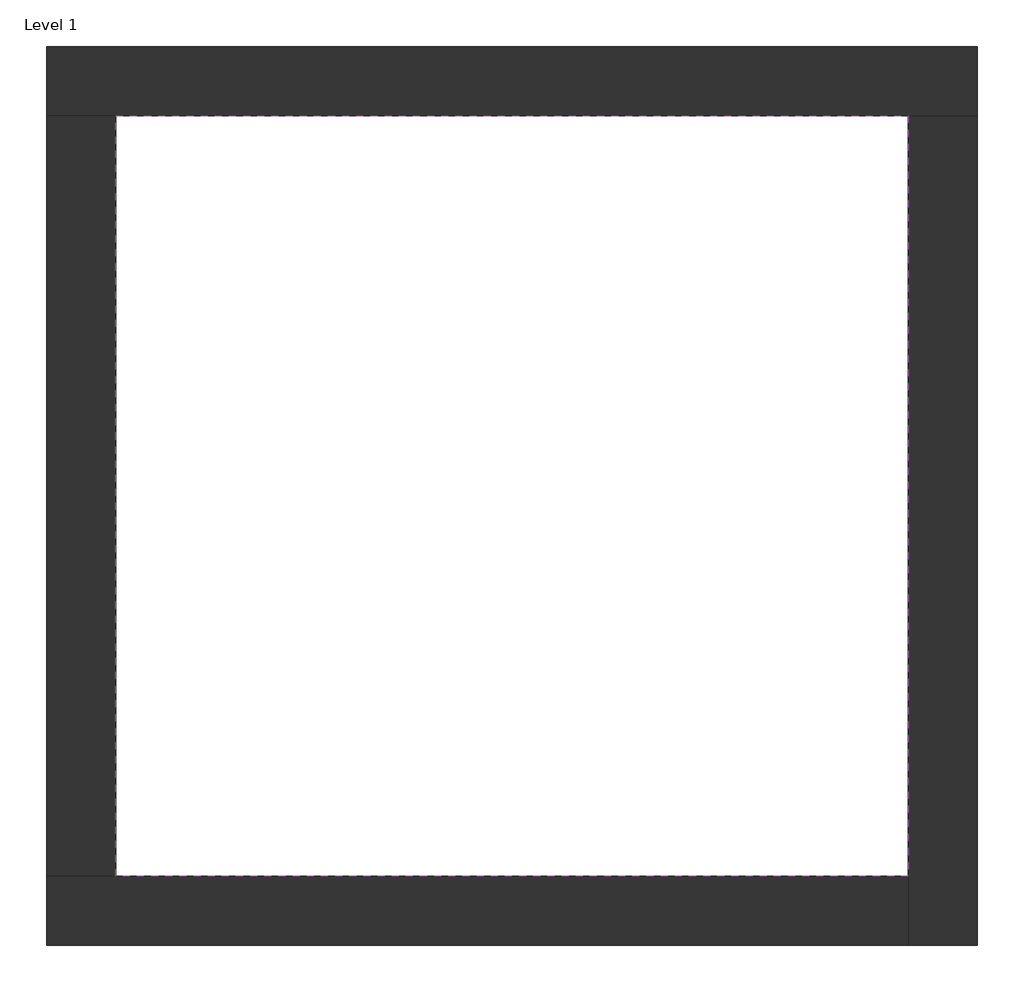
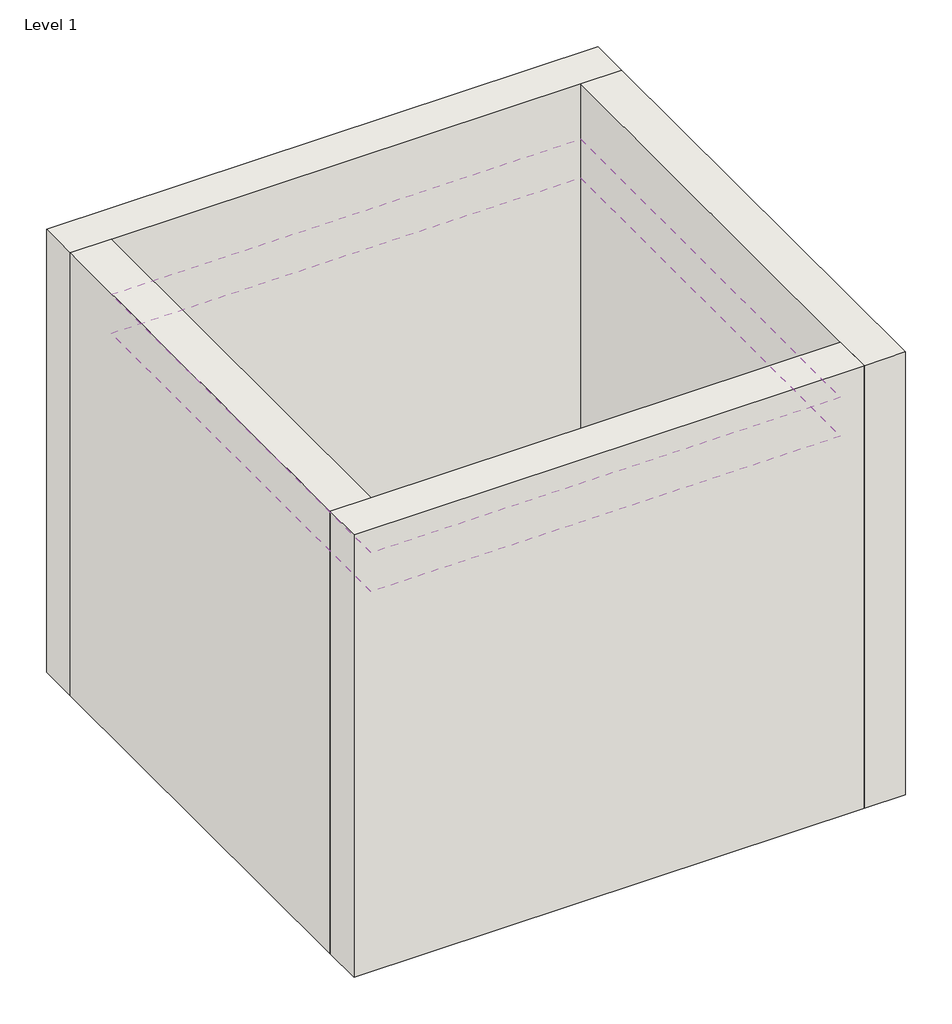
# One storey: 4 walls, 2 coverings.
"""IFC4 building model written with IfcOpenShell, lengths in millimetres."""

from ifc_helpers import new_model, si_unit, frame, origin, origin_with_axes, place, context, project, spatial, polyline, outline, extrude, faceted_brep, element, save

model = new_model("IFC4")

# Units and contexts
model_context = context("Model", 3, world=origin())
ifc_project = project(units=[si_unit("LENGTHUNIT", "METRE", prefix="MILLI")], contexts=[model_context])

# Site, building, storey
site = spatial("IfcSite", under=ifc_project)
building = spatial("IfcBuilding", under=site)
storey = spatial("IfcBuildingStorey", under=building, Name="Level 1", Elevation=0.0)

# Coverings
placement = place(None, origin())
element("IfcCovering", 1, at=placement, inside=storey, context=model_context, shape_type="SweptSolid", body=[
    extrude(outline(polyline([(-14894.8573003, 6921.2750283), (-10882.3573003, 6921.2750283), (-10882.3573003, 3071.2750283), (-14894.8573003, 3071.2750283), (-14894.8573003, 6921.2750283)])), frame((0.0, 0.0, 3500.0), z_axis=(0.0, 0.0, 1.0), x_axis=(1.0, 0.0, 0.0)), (0.0, 0.0, 1.0), 45.0),
])
element("IfcCovering", 2, at=placement, inside=storey, context=model_context, shape_type="SweptSolid", body=[
    extrude(outline(polyline([(-14894.8573003, 6921.2750283), (-10882.3573003, 6921.2750283), (-10882.3573003, 3071.2750283), (-14894.8573003, 3071.2750283), (-14894.8573003, 6921.2750283)])), frame((0.0, 0.0, 3150.0), z_axis=(0.0, 0.0, 1.0), x_axis=(1.0, 0.0, 0.0)), (0.0, 0.0, 1.0), 45.0),
])

# Walls
element("IfcWall", 3, ObjectType="Exterior - Brick on Mtl. Stud", at=placement, inside=storey, context=model_context, shape_type="Brep", body=[
    faceted_brep([(-15244.8573003, 6921.2750283, 0.0), (-14894.8573003, 6921.2750283, 0.0), (-10882.3573003, 6921.2750283, 0.0), (-10532.3573003, 6921.2750283, 0.0), (-10532.3573003, 6921.2750283, 4000.0), (-10882.3573003, 6921.2750283, 4000.0), (-14894.8573003, 6921.2750283, 4000.0), (-15244.8573003, 6921.2750283, 4000.0), (-15244.8573003, 7271.2750283, 0.0), (-15244.8573003, 7271.2750283, 4000.0), (-10532.3573003, 7271.2750283, 4000.0), (-10532.3573003, 7271.2750283, 0.0)], [[[0, 1, 2, 3, 4, 5, 6, 7]], [[8, 9, 10, 11]], [[3, 2, 1, 0, 8, 11]], [[7, 6, 5, 4, 10, 9]], [[0, 7, 9, 8]], [[4, 3, 11, 10]]]),
])
element("IfcWall", 4, ObjectType="Exterior - Brick on Mtl. Stud", at=placement, inside=storey, context=model_context, shape_type="Brep", body=[
    faceted_brep([(-10882.3573003, 6921.2750283, 0.0), (-10882.3573003, 3071.2750283, 0.0), (-10882.3573003, 2721.2750283, 0.0), (-10882.3573003, 2721.2750283, 4000.0), (-10882.3573003, 3071.2750283, 4000.0), (-10882.3573003, 6921.2750283, 4000.0), (-10532.3573003, 6921.2750283, 0.0), (-10532.3573003, 6921.2750283, 4000.0), (-10532.3573003, 2721.2750283, 4000.0), (-10532.3573003, 2721.2750283, 0.0)], [[[0, 1, 2, 3, 4, 5]], [[6, 7, 8, 9]], [[2, 1, 0, 6, 9]], [[5, 4, 3, 8, 7]], [[3, 2, 9, 8]], [[0, 5, 7, 6]]]),
])
element("IfcWall", 5, ObjectType="Exterior - Brick on Mtl. Stud", at=placement, inside=storey, context=model_context, shape_type="Brep", body=[
    faceted_brep([(-10882.3573003, 3071.2750283, 0.0), (-14894.8573003, 3071.2750283, 0.0), (-15244.8573003, 3071.2750283, 0.0), (-15244.8573003, 3071.2750283, 4000.0), (-14894.8573003, 3071.2750283, 4000.0), (-10882.3573003, 3071.2750283, 4000.0), (-10882.3573003, 2721.2750283, 0.0), (-10882.3573003, 2721.2750283, 4000.0), (-15244.8573003, 2721.2750283, 4000.0), (-15244.8573003, 2721.2750283, 0.0)], [[[0, 1, 2, 3, 4, 5]], [[6, 7, 8, 9]], [[2, 1, 0, 6, 9]], [[5, 4, 3, 8, 7]], [[3, 2, 9, 8]], [[0, 5, 7, 6]]]),
])
element("IfcWall", 6, ObjectType="Exterior - Brick on Mtl. Stud", at=placement, inside=storey, context=model_context, shape_type="SweptSolid", body=[
    extrude(outline(polyline([(-14894.8573003, 6921.2750283), (-14894.8573003, 3071.2750283), (-15244.8573003, 3071.2750283), (-15244.8573003, 6921.2750283), (-14894.8573003, 6921.2750283)])), origin_with_axes(), (0.0, 0.0, 1.0), 4000.0),
])

save(model, "model.ifc")
